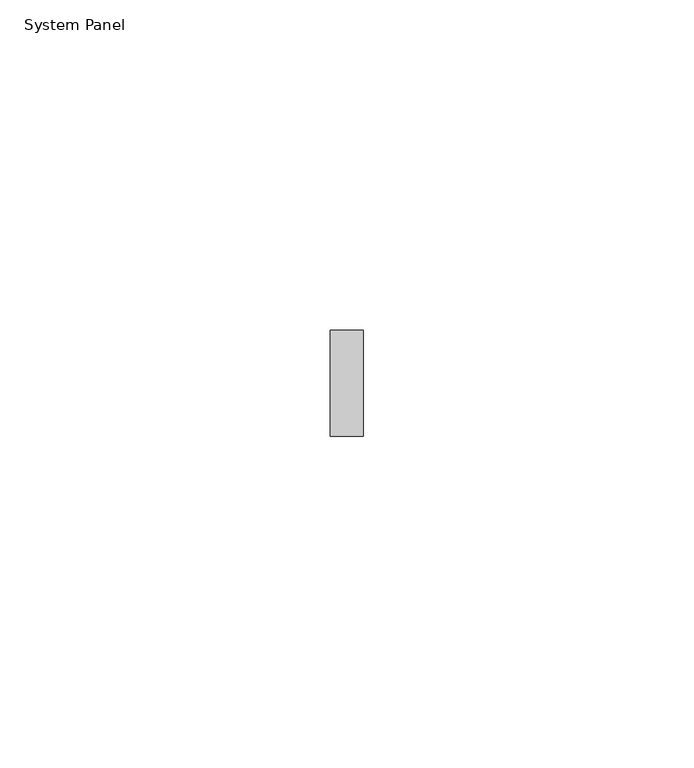
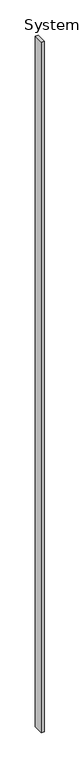
"""IFC4 building model written with IfcOpenShell, lengths in millimetres: plate geometry, System Panel."""

from ifc_helpers import new_model, si_unit, origin, origin_with_axes, place, context, project, spatial, polyline, outline, extrude, source, transform, mapped, element, save


def system_panel_b65986d8(model_context):
    return source(origin(), model_context, "Body", "SweptSolid", [
        extrude(outline(polyline([(2.5, -8.0), (-2.5, -8.0), (-2.5, 8.0), (2.5, 8.0), (2.5, -8.0)])), origin_with_axes(), (0.0, 0.0, 1.0), 1190.0),
    ])


if __name__ == "__main__":
    model = new_model("IFC4")
    model_context = context("Model", 3, world=origin())
    ifc_project = project(units=[si_unit("LENGTHUNIT", "METRE", prefix="MILLI")], contexts=[model_context])
    site = spatial("IfcSite", under=ifc_project)
    building = spatial("IfcBuilding", under=site)
    placement = place(None, origin())
    system_panel_shape = system_panel_b65986d8(model_context)
    element("IfcPlate", 1, ObjectType="System Panel", at=placement, inside=building, context=model_context, shape_type="MappedRepresentation", body=[
        mapped(system_panel_shape, transform((0.0, 0.0, 0.0), x_axis=(1.0, 0.0, 0.0), y_axis=(0.0, 1.0, 0.0), z_axis=(0.0, 0.0, 1.0))),
    ])
    save(model, "model.ifc")
